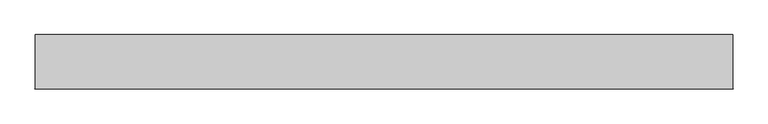
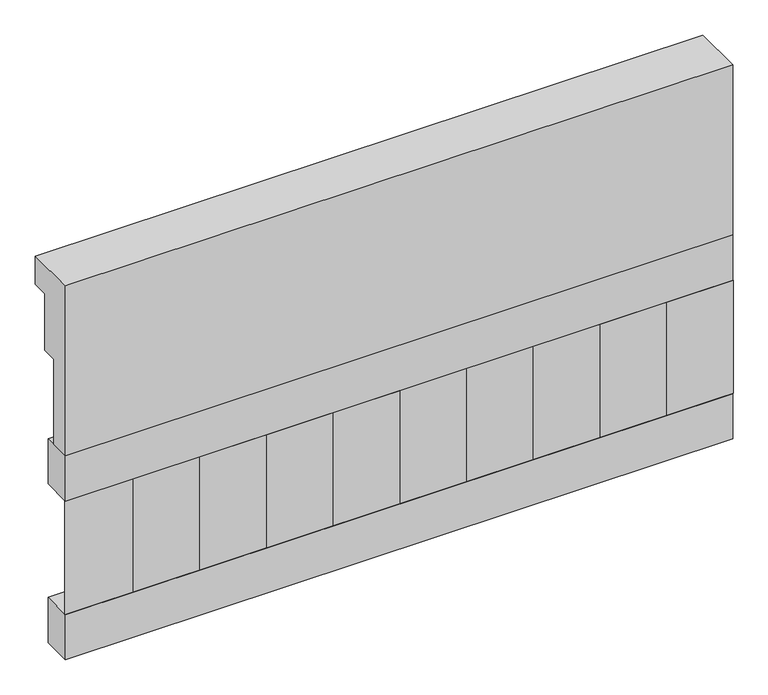
"""IFC4 building model written with IfcOpenShell, lengths in millimetres: railing geometry."""

from ifc_helpers import new_model, si_unit, frame, origin, place, context, project, spatial, polyline, outline, extrude, source, transform, mapped, element, save


def railing_dbe3c514(model_context):
    return source(origin(), model_context, "Body", "SweptSolid", [
        extrude(outline(polyline([(903.1079487, 18500.0), (1033.1079487, 18500.0), (1033.1079487, 18425.0), (993.1079487, 18425.0), (993.1079487, 18275.0), (953.1079487, 18275.0), (953.1079487, 18050.0), (903.1079487, 18050.0), (903.1079487, 18500.0)])), frame((-26239.9887159, 0.0, 0.0), z_axis=(1.0, 0.0, 0.0), x_axis=(0.0, 1.0, 0.0)), (0.0, 0.0, 1.0), 1670.0),
        extrude(outline(polyline([(-24569.9887159, 978.1079487), (-24569.9887159, 903.1079487), (-26239.9887159, 903.1079487), (-26239.9887159, 978.1079487), (-24569.9887159, 978.1079487)])), frame((0.0, 0.0, 17930.0), z_axis=(0.0, 0.0, 1.0), x_axis=(1.0, 0.0, 0.0)), (0.0, 0.0, 1.0), 120.0),
        extrude(outline(polyline([(-24569.9887159, 978.1079487), (-24569.9887159, 903.1079487), (-26239.9887159, 903.1079487), (-26239.9887159, 978.1079487), (-24569.9887159, 978.1079487)])), frame((0.0, 0.0, 17510.0), z_axis=(0.0, 0.0, 1.0), x_axis=(1.0, 0.0, 0.0)), (0.0, 0.0, 1.0), 120.0),
        extrude(outline(polyline([(-26156.4887159, 987.9607624), (-26071.6359022, 903.1079487), (-26241.3415296, 903.1079487), (-26156.4887159, 987.9607624)])), frame((0.0, 0.0, 17630.0), z_axis=(0.0, 0.0, 1.0), x_axis=(1.0, 0.0, 0.0)), (0.0, 0.0, 1.0), 300.0),
        extrude(outline(polyline([(-25989.4887159, 987.9607624), (-25904.6359022, 903.1079487), (-26074.3415296, 903.1079487), (-25989.4887159, 987.9607624)])), frame((0.0, 0.0, 17630.0), z_axis=(0.0, 0.0, 1.0), x_axis=(1.0, 0.0, 0.0)), (0.0, 0.0, 1.0), 300.0),
        extrude(outline(polyline([(-25822.4887159, 987.9607624), (-25737.6359022, 903.1079487), (-25907.3415296, 903.1079487), (-25822.4887159, 987.9607624)])), frame((0.0, 0.0, 17630.0), z_axis=(0.0, 0.0, 1.0), x_axis=(1.0, 0.0, 0.0)), (0.0, 0.0, 1.0), 300.0),
        extrude(outline(polyline([(-25655.4887159, 987.9607624), (-25570.6359022, 903.1079487), (-25740.3415296, 903.1079487), (-25655.4887159, 987.9607624)])), frame((0.0, 0.0, 17630.0), z_axis=(0.0, 0.0, 1.0), x_axis=(1.0, 0.0, 0.0)), (0.0, 0.0, 1.0), 300.0),
        extrude(outline(polyline([(-25488.4887159, 987.9607624), (-25403.6359022, 903.1079487), (-25573.3415296, 903.1079487), (-25488.4887159, 987.9607624)])), frame((0.0, 0.0, 17630.0), z_axis=(0.0, 0.0, 1.0), x_axis=(1.0, 0.0, 0.0)), (0.0, 0.0, 1.0), 300.0),
        extrude(outline(polyline([(-25321.4887159, 987.9607624), (-25236.6359022, 903.1079487), (-25406.3415296, 903.1079487), (-25321.4887159, 987.9607624)])), frame((0.0, 0.0, 17630.0), z_axis=(0.0, 0.0, 1.0), x_axis=(1.0, 0.0, 0.0)), (0.0, 0.0, 1.0), 300.0),
        extrude(outline(polyline([(-25154.4887159, 987.9607624), (-25069.6359022, 903.1079487), (-25239.3415296, 903.1079487), (-25154.4887159, 987.9607624)])), frame((0.0, 0.0, 17630.0), z_axis=(0.0, 0.0, 1.0), x_axis=(1.0, 0.0, 0.0)), (0.0, 0.0, 1.0), 300.0),
        extrude(outline(polyline([(-24987.4887159, 987.9607624), (-24902.6359022, 903.1079487), (-25072.3415296, 903.1079487), (-24987.4887159, 987.9607624)])), frame((0.0, 0.0, 17630.0), z_axis=(0.0, 0.0, 1.0), x_axis=(1.0, 0.0, 0.0)), (0.0, 0.0, 1.0), 300.0),
        extrude(outline(polyline([(-24820.4887159, 987.9607624), (-24735.6359022, 903.1079487), (-24905.3415296, 903.1079487), (-24820.4887159, 987.9607624)])), frame((0.0, 0.0, 17630.0), z_axis=(0.0, 0.0, 1.0), x_axis=(1.0, 0.0, 0.0)), (0.0, 0.0, 1.0), 300.0),
        extrude(outline(polyline([(-24653.4887159, 987.9607624), (-24568.6359022, 903.1079487), (-24738.3415296, 903.1079487), (-24653.4887159, 987.9607624)])), frame((0.0, 0.0, 17630.0), z_axis=(0.0, 0.0, 1.0), x_axis=(1.0, 0.0, 0.0)), (0.0, 0.0, 1.0), 300.0),
    ])


if __name__ == "__main__":
    model = new_model("IFC4")
    model_context = context("Model", 3, world=origin())
    ifc_project = project(units=[si_unit("LENGTHUNIT", "METRE", prefix="MILLI")], contexts=[model_context])
    site = spatial("IfcSite", under=ifc_project)
    building = spatial("IfcBuilding", under=site)
    placement = place(None, origin())
    railing_shape = railing_dbe3c514(model_context)
    element("IfcRailing", 1, at=placement, inside=building, context=model_context, shape_type="MappedRepresentation", body=[
        mapped(railing_shape, transform((0.0, 0.0, 0.0), x_axis=(1.0, 0.0, 0.0), y_axis=(0.0, 1.0, 0.0), z_axis=(0.0, 0.0, 1.0))),
    ])
    save(model, "model.ifc")
